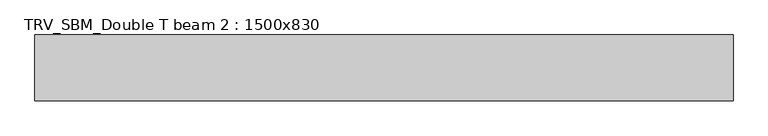
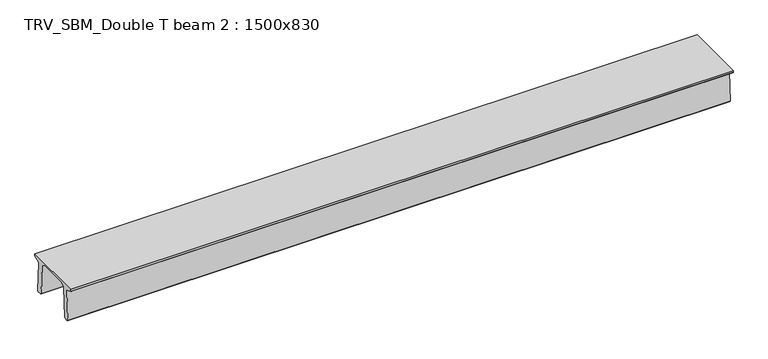
"""IFC4 building model written with IfcOpenShell, lengths in millimetres: beam geometry, TRV_SBM_Double T beam 2 : 1500x830."""

from ifc_helpers import new_model, si_unit, frame, origin, place, context, project, spatial, polyline, outline, extrude, source, transform, mapped, element, save


def trv_sbm_double_t_beam_2_1500x830_3fca5138(model_context):
    return source(origin(), model_context, "Body", "SweptSolid", [
        extrude(outline(polyline([(337.4555014, 470.0), (-343.4555014, 470.0), (-456.5828437, 409.8491251), (-494.786332, -340.5206011), (-514.2657308, -360.0), (-604.2657308, -360.0), (-624.8277662, -339.4379646), (-586.9373878, 401.9654693), (-752.8511046, 468.9989621), (-753.0, 475.0), (-753.0, 520.0), (747.0, 520.0), (747.0, 475.0), (746.8511046, 468.9989621), (580.9373878, 401.9654693), (618.8277662, -339.4379646), (598.2657308, -360.0), (508.2657308, -360.0), (488.786332, -340.5206011), (450.5828437, 409.8491251), (337.4555014, 470.0)])), frame((-7966.5, 0.0, 0.0), z_axis=(1.0, 0.0, 0.0), x_axis=(0.0, 1.0, 0.0)), (0.0, 0.0, 1.0), 15933.0),
    ])


if __name__ == "__main__":
    model = new_model("IFC4")
    model_context = context("Model", 3, world=origin())
    ifc_project = project(units=[si_unit("LENGTHUNIT", "METRE", prefix="MILLI")], contexts=[model_context])
    site = spatial("IfcSite", under=ifc_project)
    building = spatial("IfcBuilding", under=site)
    placement = place(None, origin())
    trv_sbm_double_t_beam_2_1500x830_shape = trv_sbm_double_t_beam_2_1500x830_3fca5138(model_context)
    element("IfcBeam", 1, ObjectType="TRV_SBM_Double T beam 2 : 1500x830", at=placement, inside=building, context=model_context, shape_type="MappedRepresentation", body=[
        mapped(trv_sbm_double_t_beam_2_1500x830_shape, transform((0.0, 0.0, 0.0), x_axis=(1.0, 0.0, 0.0), y_axis=(0.0, 1.0, 0.0), z_axis=(0.0, 0.0, 1.0))),
    ])
    save(model, "model.ifc")
